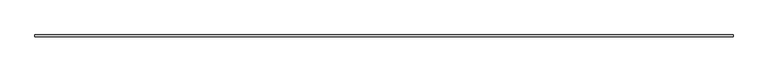
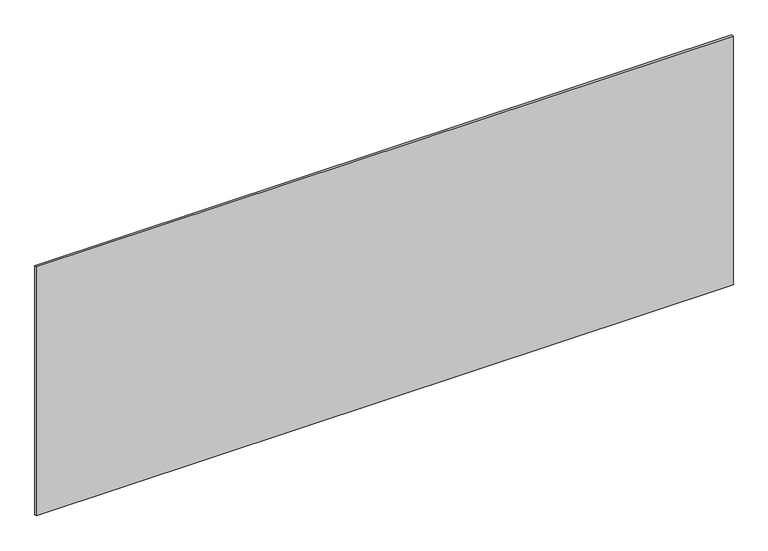
"""IFC4 building model written with IfcOpenShell, lengths in millimetres: plate geometry."""

import ifcopenshell
import ifcopenshell.guid

model = None  # the IFC model being written
_history = None  # IfcOwnerHistory: only IFC2X3 demands one
_inside = {}  # id of a spatial element -> (the spatial element, [elements in it])
_under = {}  # id of a project, library or spatial element -> (it, [spatial elements below it])
_declared = {}  # id of a project -> (the project, [libraries it declares])
_typed = {}  # id of a type object -> (the type object, [elements of that type])
_made_of = {}  # id of a material, layer set ... -> (it, [elements and type objects made of it])


def new_model(schema):
    """Start an empty IFC model of exactly this schema.

    Asked for "IFC4X3", IfcOpenShell would pick the latest addendum, in which some entities
    have other attributes; the version numbers below select the first issue.
    IFC2X3 requires an IfcOwnerHistory on every rooted entity: one is made here for all.
    """
    global model, _history
    if schema == "IFC4X3":
        model = ifcopenshell.file(schema_version=(4, 3, 0, 0))
    else:
        model = ifcopenshell.file(schema=schema)
    _inside.clear()
    _under.clear()
    _declared.clear()
    _typed.clear()
    _made_of.clear()
    _history = None
    if model.schema == "IFC2X3":
        org = make("IfcOrganization", Name="unknown")
        user = make(
            "IfcPersonAndOrganization",
            ThePerson=make("IfcPerson", FamilyName="unknown"),
            TheOrganization=org,
        )
        app = make(
            "IfcApplication",
            ApplicationDeveloper=org,
            Version="unknown",
            ApplicationFullName="unknown",
            ApplicationIdentifier="unknown",
        )
        _history = make(
            "IfcOwnerHistory",
            OwningUser=user,
            OwningApplication=app,
            ChangeAction="ADDED",
            CreationDate=0,
        )
    return model


def make(cls, **values):
    """One entity of the class cls with the attributes given. An attribute that is None is left unset."""
    return model.create_entity(
        cls, **{name: value for name, value in values.items() if value is not None}
    )


def rooted(cls, **values):
    """An entity with a GlobalId (a new one), such as an element, a storey or a relation."""
    return make(cls, GlobalId=ifcopenshell.guid.new(), OwnerHistory=_history, **values)


def si_unit(unit_type, name, prefix=None):
    """IfcSIUnit, for example si_unit("LENGTHUNIT", "METRE", prefix="MILLI")."""
    return make("IfcSIUnit", UnitType=unit_type, Prefix=prefix, Name=name)


def assignment(units):
    """IfcUnitAssignment: the units of a project."""
    return None if units is None else make("IfcUnitAssignment", Units=units)


def point(xyz):
    """IfcCartesianPoint."""
    return None if xyz is None else make("IfcCartesianPoint", Coordinates=xyz)


def direction(xyz):
    """IfcDirection."""
    return None if xyz is None else make("IfcDirection", DirectionRatios=xyz)


def frame(location, z_axis=None, x_axis=None):
    """IfcAxis2Placement3D, a coordinate frame: its origin and axes. An axis left out is left unset."""
    return make(
        "IfcAxis2Placement3D",
        Location=point(location),
        Axis=direction(z_axis),
        RefDirection=direction(x_axis),
    )


def origin():
    """The frame at (0, 0, 0) with its axes left unset."""
    return frame((0.0, 0.0, 0.0))


def origin_with_axes():
    """The frame at (0, 0, 0) with the z axis (0, 0, 1) and the x axis (1, 0, 0) written out."""
    return frame((0.0, 0.0, 0.0), z_axis=(0.0, 0.0, 1.0), x_axis=(1.0, 0.0, 0.0))


def place(relative_to, where):
    """IfcLocalPlacement: puts the frame where relative to a parent placement (None: the world)."""
    return make(
        "IfcLocalPlacement", PlacementRelTo=relative_to, RelativePlacement=where
    )


def context(
    kind, dimensions, precision=None, world=None, true_north=None, identifier=None
):
    """IfcGeometricRepresentationContext, for example the 3D "Model" context."""
    return make(
        "IfcGeometricRepresentationContext",
        ContextIdentifier=identifier,
        ContextType=kind,
        CoordinateSpaceDimension=dimensions,
        Precision=precision,
        WorldCoordinateSystem=world,
        TrueNorth=true_north,
    )


def project(units=None, contexts=None):
    """IfcProject with its units and contexts."""
    return rooted(
        "IfcProject",
        Name="project",
        RepresentationContexts=contexts,
        UnitsInContext=assignment(units),
    )


def spatial(cls, under=None, at=None, **own):
    """A site, building, storey or space (cls), placed at a placement, below another one or the project."""
    s = rooted(cls, ObjectPlacement=at, **own)
    if under is not None:
        _under.setdefault(under.id(), (under, []))[1].append(s)
    return s


def polyline(points):
    """IfcPolyline through the points."""
    return make("IfcPolyline", Points=[point(p) for p in points])


def outline(outer, holes=None, kind="AREA"):
    """IfcArbitraryClosedProfileDef: a profile drawn as a closed curve; with holes, ...WithVoids."""
    if holes is None:
        return make("IfcArbitraryClosedProfileDef", ProfileType=kind, OuterCurve=outer)
    return make(
        "IfcArbitraryProfileDefWithVoids",
        ProfileType=kind,
        OuterCurve=outer,
        InnerCurves=holes,
    )


def extrude(swept, where, along, depth):
    """IfcExtrudedAreaSolid: the profile swept, set in the frame where, extruded along a direction by depth."""
    return make(
        "IfcExtrudedAreaSolid",
        SweptArea=swept,
        Position=where,
        ExtrudedDirection=direction(along),
        Depth=depth,
    )


def shape(context_of_items, identifier, shape_type, items):
    """IfcShapeRepresentation: the items that make up one representation, for example the "Body"."""
    return make(
        "IfcShapeRepresentation",
        ContextOfItems=context_of_items,
        RepresentationIdentifier=identifier,
        RepresentationType=shape_type,
        Items=items,
    )


def source(mapping_origin, context_of_items, identifier, shape_type, items):
    """IfcRepresentationMap: a shape defined once, which mapped items show again and again."""
    return make(
        "IfcRepresentationMap",
        MappingOrigin=mapping_origin,
        MappedRepresentation=shape(context_of_items, identifier, shape_type, items),
    )


def transform(
    local_origin,
    x_axis=None,
    y_axis=None,
    z_axis=None,
    scale=None,
    scale2=None,
    scale3=None,
    uniform=True,
):
    """IfcCartesianTransformationOperator3D, or its non-uniform kind. x_axis, y_axis, z_axis: its Axis1, 2, 3."""
    if uniform:
        return make(
            "IfcCartesianTransformationOperator3D",
            Axis1=direction(x_axis),
            Axis2=direction(y_axis),
            LocalOrigin=point(local_origin),
            Scale=scale,
            Axis3=direction(z_axis),
        )
    return make(
        "IfcCartesianTransformationOperator3DnonUniform",
        Axis1=direction(x_axis),
        Axis2=direction(y_axis),
        LocalOrigin=point(local_origin),
        Scale=scale,
        Axis3=direction(z_axis),
        Scale2=scale2,
        Scale3=scale3,
    )


def mapped(mapping_source, mapping_target):
    """IfcMappedItem: shows the shape of a source again, moved by a transform."""
    return make(
        "IfcMappedItem", MappingSource=mapping_source, MappingTarget=mapping_target
    )


def made_of(thing, what):
    """Note that an element or type object is made of a material, layer set ...; save() writes the relation."""
    if what is not None:
        _made_of.setdefault(what.id(), (what, []))[1].append(thing)
    return thing


def element(
    cls,
    number,
    at=None,
    inside=None,
    cuts=None,
    type_object=None,
    material=None,
    context=None,
    identifier="Body",
    shape_type=None,
    held_by="IfcProductDefinitionShape",
    body=None,
    shapes=None,
    **own,
):
    """One element of the class cls, such as IfcWall. Its Tag is "e" and its number.

    at: its placement. inside: the storey or other place that contains it. cuts: it is an
    opening in that element (IfcRelVoidsElement). A single representation is given by context,
    identifier, shape_type and body (its items); several are given by shapes. held_by: the class
    of the entity that holds the representations. save() writes the other relations.
    """
    e = rooted(cls, Tag="e%d" % number, ObjectPlacement=at, **own)
    if body is not None:
        shapes = [shape(context, identifier, shape_type, body)]
    if shapes is not None:
        e.Representation = make(held_by, Representations=shapes)
    if inside is not None:
        _inside.setdefault(inside.id(), (inside, []))[1].append(e)
    if cuts is not None:
        rooted(
            "IfcRelVoidsElement", RelatingBuildingElement=cuts, RelatedOpeningElement=e
        )
    if type_object is not None:
        _typed.setdefault(type_object.id(), (type_object, []))[1].append(e)
    return made_of(e, material)


def aggregate(whole, parts):
    """IfcRelAggregates: a whole, such as a stair, and the parts it consists of."""
    return rooted("IfcRelAggregates", RelatingObject=whole, RelatedObjects=parts)


def save(model, path):
    """Write the relations noted so far, then the file.

    IfcRelAggregates (storeys below a building ...), IfcRelContainedInSpatialStructure (elements
    in a storey), IfcRelDefinesByType, IfcRelAssociatesMaterial and IfcRelDeclares: one each for
    every whole, place, type object, material and project.
    """
    for whole, parts in _under.values():
        aggregate(whole, parts)
    for where, things in _inside.values():
        rooted(
            "IfcRelContainedInSpatialStructure",
            RelatedElements=things,
            RelatingStructure=where,
        )
    for kind, things in _typed.values():
        rooted("IfcRelDefinesByType", RelatedObjects=things, RelatingType=kind)
    for what, things in _made_of.values():
        rooted("IfcRelAssociatesMaterial", RelatedObjects=things, RelatingMaterial=what)
    for by, libraries in _declared.values():
        rooted("IfcRelDeclares", RelatingContext=by, RelatedDefinitions=libraries)
    model.write(path)


def plate_74e5d865(model_context):
    return source(origin(), model_context, "Body", "SweptSolid", [
        extrude(outline(polyline([(1715.0, -5.0), (-1715.0, -5.0), (-1715.0, 5.0), (1715.0, 5.0), (1715.0, -5.0)])), origin_with_axes(), (0.0, 0.0, 1.0), 1294.4008047),
    ])


if __name__ == "__main__":
    model = new_model("IFC4")
    model_context = context("Model", 3, world=origin())
    ifc_project = project(units=[si_unit("LENGTHUNIT", "METRE", prefix="MILLI")], contexts=[model_context])
    site = spatial("IfcSite", under=ifc_project)
    building = spatial("IfcBuilding", under=site)
    placement = place(None, origin())
    plate_shape = plate_74e5d865(model_context)
    element("IfcPlate", 1, at=placement, inside=building, context=model_context, shape_type="MappedRepresentation", body=[
        mapped(plate_shape, transform((0.0, 0.0, 0.0), x_axis=(1.0, 0.0, 0.0), y_axis=(0.0, 1.0, 0.0), z_axis=(0.0, 0.0, 1.0))),
    ])
    save(model, "model.ifc")
